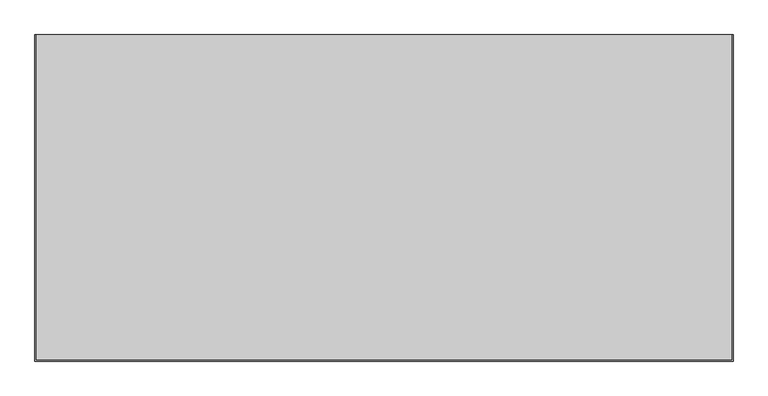
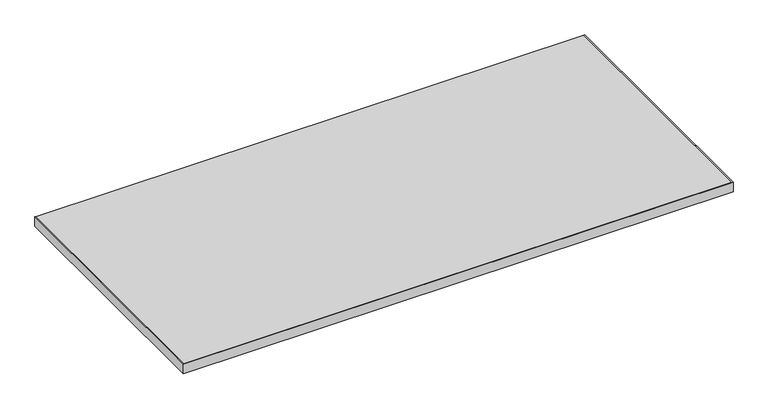
"""IFC4 building model written with IfcOpenShell, lengths in millimetres: furniture geometry."""

from ifc_helpers import new_model, si_unit, frame, origin, place, context, project, spatial, polyline, outline, extrude, source, transform, mapped, element, save


def furniture_dda512c1(model_context):
    return source(origin(), model_context, "Body", "SweptSolid", [
        extrude(outline(polyline([(2.0, -723.0), (1398.0, -723.0), (1398.0, -70.0461504), (1400.0, -70.0461504), (1400.0, -725.0), (0.0, -725.0), (0.0, -70.0461504), (2.0, -70.0461504), (2.0, -723.0)])), frame((0.0, 0.0, 695.0), z_axis=(0.0, 0.0, 1.0), x_axis=(1.0, 0.0, 0.0)), (0.0, 0.0, 1.0), 25.0),
        extrude(outline(polyline([(1398.0, -723.0), (2.0, -723.0), (2.0, -70.0461504), (1398.0, -70.0461504), (1398.0, -723.0)])), frame((0.0, 0.0, 695.0), z_axis=(0.0, 0.0, 1.0), x_axis=(1.0, 0.0, 0.0)), (0.0, 0.0, 1.0), 25.0),
    ])


if __name__ == "__main__":
    model = new_model("IFC4")
    model_context = context("Model", 3, world=origin())
    ifc_project = project(units=[si_unit("LENGTHUNIT", "METRE", prefix="MILLI")], contexts=[model_context])
    site = spatial("IfcSite", under=ifc_project)
    building = spatial("IfcBuilding", under=site)
    placement = place(None, origin())
    furniture_shape = furniture_dda512c1(model_context)
    element("IfcFurniture", 1, at=placement, inside=building, context=model_context, shape_type="MappedRepresentation", body=[
        mapped(furniture_shape, transform((0.0, 0.0, 0.0), x_axis=(1.0, 0.0, 0.0), y_axis=(0.0, 1.0, 0.0), z_axis=(0.0, 0.0, 1.0))),
    ])
    save(model, "model.ifc")
